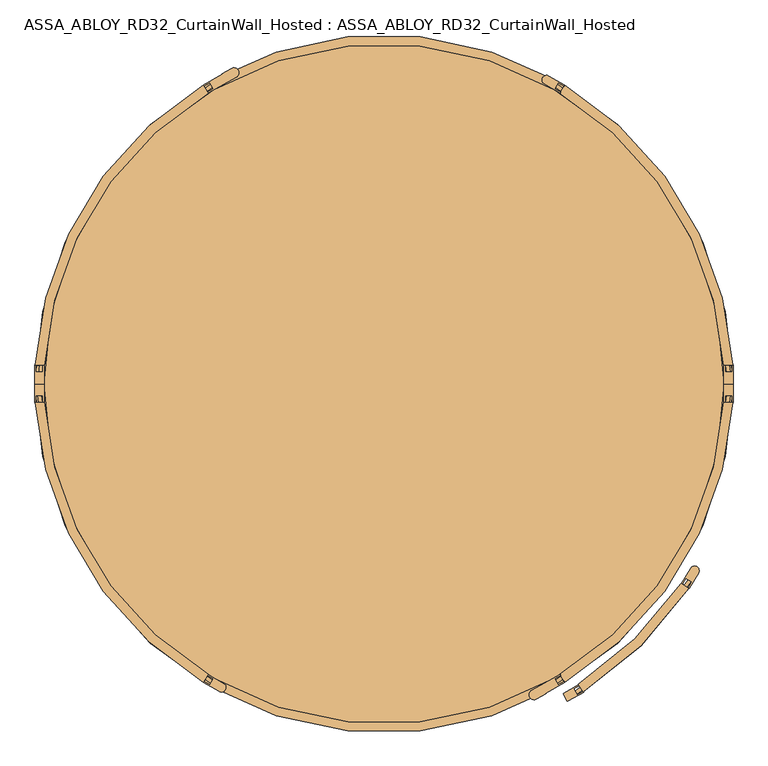
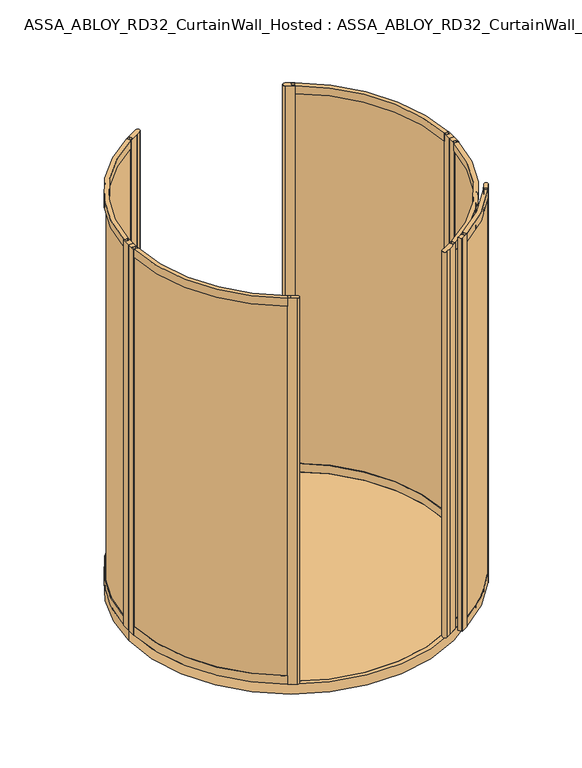
"""IFC4 building model written with IfcOpenShell, lengths in millimetres: door geometry, ASSA_ABLOY_RD32_CurtainWall_Hosted : ASSA_ABLOY_RD32_CurtainWall_Hosted."""

from ifc_helpers import new_model, si_unit, point, frame, frame_2d, origin, origin_with_axes, origin_2d, place, context, project, spatial, polyline, circle_curve, trimmed, segment, composite_curve, outline, extrude, source, transform, mapped, element, save
from ifc_brep_helpers import plane_surface, cylinder_surface, revolved_surface, advanced_brep


def assa_abloy_rd32_curtainwall_hosted_assa_abloy_rd32_809f59b0(model_context):
    return source(origin(), model_context, "Body", "SolidModel", [
        extrude(outline(composite_curve([segment(polyline([(868.6904209, -559.909995), (877.0957467, -565.3276051)]), True, "CONTINUOUS"), segment(trimmed(circle_curve(origin_2d(), 1043.5), [point((877.0957467, -565.3276051))], [point((549.9340715, -886.8284879))], False, "CARTESIAN"), True, "CONTINUOUS"), segment(polyline([(549.9340715, -886.8284879), (544.6639798, -878.329892)]), True, "CONTINUOUS"), segment(trimmed(circle_curve(origin_2d(), 1033.5), [point((544.6639798, -878.329892))], [point((868.6904209, -559.909995))], True, "CARTESIAN"), True, "CONTINUOUS")], self_intersect=False)), frame((0.0, 0.0, 43.0), z_axis=(0.0, 0.0, 1.0), x_axis=(1.0, 0.0, 0.0)), (0.0, 0.0, 1.0), 2480.0),
        advanced_brep(
        [(555.3575895, -858.5360783, 2556.0), (555.3575895, -858.5360783, 2503.0), (556.9870005, -861.0550106, 2503.0), (556.9870005, -861.0550106, 2523.0), (567.8497407, -877.8478923, 2523.0), (567.8497407, -877.8478923, 2503.0), (569.4791517, -880.3668246, 2503.0), (569.4791517, -880.3668246, 2556.0), (848.7129927, -570.2565264, 2556.0), (870.2939588, -584.7569369, 2556.0), (870.2939588, -584.7569369, 2503.0), (867.8038474, -583.0838126, 2503.0), (867.8038474, -583.0838126, 2523.0), (851.2031042, -571.9296507, 2523.0), (851.2031042, -571.9296507, 2503.0), (848.7129927, -570.2565264, 2503.0)],
        [
            (0, 1),
            (1, 2),
            (2, 3),
            (3, 4),
            (4, 5),
            (5, 6),
            (6, 7),
            (7, 0),
            (8, 9),
            (9, 10),
            (10, 11),
            (11, 12),
            (12, 13),
            (13, 14),
            (14, 15),
            (15, 8),
            (8, 0, circle_curve(frame((0.0, 0.0, 2556.0), z_axis=(0.0, 0.0, -1.0), x_axis=(0.5431370068511084, -0.839644086377567, 0.0)), 1022.5)),
            (7, 9, circle_curve(frame((0.0, 0.0, 2556.0), z_axis=(0.0, 0.0, 1.0), x_axis=(0.5431370068511084, -0.839644086377567, 0.0)), 1048.5)),
            (6, 10, circle_curve(frame((0.0, 0.0, 2503.0), z_axis=(0.0, 0.0, 1.0), x_axis=(0.5431370068511084, -0.839644086377567, 0.0)), 1048.5)),
            (5, 11, circle_curve(frame((0.0, 0.0, 2503.0), z_axis=(0.0, 0.0, 1.0), x_axis=(0.5431370068511084, -0.839644086377567, 0.0)), 1045.5)),
            (4, 12, circle_curve(frame((0.0, 0.0, 2523.0), z_axis=(0.0, 0.0, 1.0), x_axis=(0.5431370068511084, -0.839644086377567, 0.0)), 1045.5)),
            (3, 13, circle_curve(frame((0.0, 0.0, 2523.0), z_axis=(0.0, 0.0, 1.0), x_axis=(0.5431370068511084, -0.839644086377567, 0.0)), 1025.5)),
            (2, 14, circle_curve(frame((0.0, 0.0, 2503.0), z_axis=(0.0, 0.0, 1.0), x_axis=(0.5431370068511084, -0.839644086377567, 0.0)), 1025.5)),
            (1, 15, circle_curve(frame((0.0, 0.0, 2503.0), z_axis=(0.0, 0.0, 1.0), x_axis=(0.5431370068511084, -0.839644086377567, 0.0)), 1022.5)),
        ],
        [
            plane_surface(frame((569.4791517, -880.3668246, 2556.0), z_axis=(-0.839644086377567, -0.5431370068511084, 0.0), x_axis=(0.0, 0.0, 1.0))),
            plane_surface(frame((870.2939588, -584.7569369, 2556.0), z_axis=(0.5577080943123524, 0.8300371567216038, 0.0), x_axis=(0.0, 0.0, 1.0))),
            plane_surface(frame((0.0, 0.0, 2556.0), z_axis=(0.0, 0.0, 1.0000000000000002), x_axis=(0.5431370068511084, -0.839644086377567, 0.0))),
            cylinder_surface(frame((0.0, 0.0, 2556.0), z_axis=(0.0, 0.0, -1.0), x_axis=(0.5431370068511084, -0.839644086377567, 0.0)), 1048.5),
            plane_surface(frame((0.0, 0.0, 2503.0), z_axis=(0.0, 0.0, -1.0000000000000002), x_axis=(0.5431370068511084, -0.839644086377567, 0.0))),
            revolved_surface(polyline([(567.8497406628338, -877.8478923077463, 2503.0), (567.8497406628338, -877.8478923077463, 2523.0)]), (0.0, 0.0, 2556.0), (0.0, 0.0, -1.0)),
            plane_surface(frame((0.0, 0.0, 2523.0), z_axis=(0.0, 0.0, -1.0000000000000002), x_axis=(0.5431370068511084, -0.839644086377567, 0.0))),
            cylinder_surface(frame((0.0, 0.0, 2556.0), z_axis=(0.0, 0.0, -1.0), x_axis=(0.5431370068511084, -0.839644086377567, 0.0)), 1025.5),
            revolved_surface(polyline([(555.3575895052584, -858.5360783210623, 2503.0), (555.3575895052584, -858.5360783210623, 2556.0)]), (0.0, 0.0, 2556.0), (0.0, 0.0, -1.0)),
        ],
        [
            (0, [[1, 2, 3, 4, 5, 6, 7, 8]]),
            (1, [[9, 10, 11, 12, 13, 14, 15, 16]]),
            (2, [[-9, 17, -8, 18]]),
            (3, [[-10, -18, -7, 19]]),
            (4, [[-11, -19, -6, 20]]),
            (5, [[-12, -20, -5, 21]]),
            (6, [[-13, -21, -4, 22]]),
            (7, [[-14, -22, -3, 23]]),
            (4, [[-15, -23, -2, 24]]),
            (8, [[-16, -24, -1, -17]]),
        ],
    ),
        advanced_brep(
        [(555.3575895, -858.5360783, 10.0), (569.4791517, -880.3668246, 10.0), (569.4791517, -880.3668246, 63.0), (567.8497407, -877.8478923, 63.0), (567.8497407, -877.8478923, 43.0), (556.9870005, -861.0550106, 43.0), (556.9870005, -861.0550106, 63.0), (555.3575895, -858.5360783, 63.0), (848.7129927, -570.2565264, 10.0), (848.7129927, -570.2565264, 63.0), (851.2031042, -571.9296507, 63.0), (851.2031042, -571.9296507, 43.0), (867.8038474, -583.0838126, 43.0), (867.8038474, -583.0838126, 63.0), (870.2939588, -584.7569369, 63.0), (870.2939588, -584.7569369, 10.0)],
        [
            (0, 1),
            (1, 2),
            (2, 3),
            (3, 4),
            (4, 5),
            (5, 6),
            (6, 7),
            (7, 0),
            (8, 9),
            (9, 10),
            (10, 11),
            (11, 12),
            (12, 13),
            (13, 14),
            (14, 15),
            (15, 8),
            (8, 0, circle_curve(frame((0.0, 0.0, 10.0), z_axis=(0.0, 0.0, -1.0), x_axis=(0.5431370068511086, -0.839644086377567, 0.0)), 1022.5)),
            (7, 9, circle_curve(frame((0.0, 0.0, 63.0), z_axis=(0.0, 0.0, 1.0), x_axis=(0.5431370068511086, -0.839644086377567, 0.0)), 1022.5)),
            (6, 10, circle_curve(frame((0.0, 0.0, 63.0), z_axis=(0.0, 0.0, 1.0), x_axis=(0.5431370068511086, -0.839644086377567, 0.0)), 1025.5)),
            (5, 11, circle_curve(frame((0.0, 0.0, 43.0), z_axis=(0.0, 0.0, 1.0), x_axis=(0.5431370068511086, -0.839644086377567, 0.0)), 1025.5)),
            (4, 12, circle_curve(frame((0.0, 0.0, 43.0), z_axis=(0.0, 0.0, 1.0), x_axis=(0.5431370068511086, -0.839644086377567, 0.0)), 1045.5)),
            (3, 13, circle_curve(frame((0.0, 0.0, 63.0), z_axis=(0.0, 0.0, 1.0), x_axis=(0.5431370068511086, -0.839644086377567, 0.0)), 1045.5)),
            (2, 14, circle_curve(frame((0.0, 0.0, 63.0), z_axis=(0.0, 0.0, 1.0), x_axis=(0.5431370068511086, -0.839644086377567, 0.0)), 1048.5)),
            (1, 15, circle_curve(frame((0.0, 0.0, 10.0), z_axis=(0.0, 0.0, 1.0), x_axis=(0.5431370068511086, -0.839644086377567, 0.0)), 1048.5)),
        ],
        [
            plane_surface(frame((569.4791517, -880.3668246, 0.0), z_axis=(-0.8396440863775669, -0.5431370068511086, 0.0), x_axis=(0.0, 0.0, 1.0))),
            plane_surface(frame((870.2939588, -584.7569369, 0.0), z_axis=(0.5577080943123519, 0.8300371567216043, 0.0), x_axis=(0.0, 0.0, 1.0))),
            revolved_surface(polyline([(555.3575895052585, -858.5360783210623, 10.0), (555.3575895052585, -858.5360783210623, 63.0)]), (0.0, 0.0, 0.0), (0.0, 0.0, -1.0)),
            plane_surface(frame((0.0, 0.0, 63.0), z_axis=(0.0, 0.0, 1.0000000000000002), x_axis=(0.5431370068511086, -0.8396440863775669, 0.0))),
            cylinder_surface(frame((0.0, 0.0, 0.0), z_axis=(0.0, 0.0, -1.0), x_axis=(0.5431370068511086, -0.839644086377567, 0.0)), 1025.5),
            plane_surface(frame((0.0, 0.0, 43.0), z_axis=(0.0, 0.0, 1.0000000000000002), x_axis=(0.5431370068511086, -0.8396440863775669, 0.0))),
            revolved_surface(polyline([(567.8497406628339, -877.8478923077463, 43.0), (567.8497406628339, -877.8478923077463, 63.0)]), (0.0, 0.0, 0.0), (0.0, 0.0, -1.0)),
            cylinder_surface(frame((0.0, 0.0, 0.0), z_axis=(0.0, 0.0, -1.0), x_axis=(0.5431370068511086, -0.839644086377567, 0.0)), 1048.5),
            plane_surface(frame((0.0, 0.0, 10.0), z_axis=(0.0, 0.0, -1.0000000000000002), x_axis=(0.5431370068511086, -0.8396440863775669, 0.0))),
        ],
        [
            (0, [[1, 2, 3, 4, 5, 6, 7, 8]]),
            (1, [[9, 10, 11, 12, 13, 14, 15, 16]]),
            (2, [[-9, 17, -8, 18]]),
            (3, [[-10, -18, -7, 19]]),
            (4, [[-11, -19, -6, 20]]),
            (5, [[-12, -20, -5, 21]]),
            (6, [[-13, -21, -4, 22]]),
            (3, [[-14, -22, -3, 23]]),
            (7, [[-15, -23, -2, 24]]),
            (8, [[-16, -24, -1, -17]]),
        ],
    ),
        extrude(outline(composite_curve([segment(polyline([(871.4428968, -585.4472885), (868.8713949, -583.9021743), (879.1721564, -566.7588282), (862.0288104, -556.4580667), (851.7280489, -573.6014128), (849.156547, -572.0562985), (875.9385269, -527.4835989)]), True, "CONTINUOUS"), segment(trimmed(circle_curve(frame_2d((887.0817018, -534.1790939)), 13.0), [point((875.9385269, -527.4835989))], [point((898.2248767, -540.8745888))], False, "CARTESIAN"), True, "CONTINUOUS"), segment(polyline([(898.2248767, -540.8745888), (871.4428968, -585.4472885)]), True, "CONTINUOUS")], self_intersect=False)), frame((0.0, 0.0, 10.0), z_axis=(0.0, 0.0, 1.0), x_axis=(1.0, 0.0, 0.0)), (0.0, 0.0, 1.0), 2546.0),
        extrude(outline(polyline([(570.1493464, -881.5276359), (526.8480762, -906.5276359), (526.3480762, -905.6616105), (523.75, -907.1616105), (511.75, -886.3770008), (514.3480762, -884.8770008), (513.8480762, -884.0109754), (557.1493464, -859.0109754), (558.6493464, -861.6090516), (541.3288383, -871.6090516), (551.3288383, -888.9295597), (568.6493464, -878.9295597), (570.1493464, -881.5276359)])), frame((0.0, 0.0, 10.0), z_axis=(0.0, 0.0, 1.0), x_axis=(1.0, 0.0, 0.0)), (0.0, 0.0, 1.0), 2546.0),
        extrude(outline(composite_curve([segment(trimmed(circle_curve(origin_2d(), 989.0), [point((494.5, 856.4991243))], [point((988.4436781, 33.1676829))], False, "CARTESIAN"), True, "CONTINUOUS"), segment(polyline([(988.4436781, 33.1676829), (978.4493032, 32.8323171)]), True, "CONTINUOUS"), segment(trimmed(circle_curve(origin_2d(), 979.0), [point((978.4493032, 32.8323171))], [point((489.5, 847.8388703))], True, "CARTESIAN"), True, "CONTINUOUS"), segment(polyline([(489.5, 847.8388703), (494.5, 856.4991243)]), True, "CONTINUOUS")], self_intersect=False)), frame((0.0, 0.0, 33.0), z_axis=(0.0, 0.0, 1.0), x_axis=(1.0, 0.0, 0.0)), (0.0, 0.0, 1.0), 2437.0),
        extrude(outline(composite_curve([segment(trimmed(circle_curve(origin_2d(), 989.0), [point((988.4436781, -33.1676829))], [point((494.5, -856.4991243))], False, "CARTESIAN"), True, "CONTINUOUS"), segment(polyline([(494.5, -856.4991243), (489.5, -847.8388703)]), True, "CONTINUOUS"), segment(trimmed(circle_curve(origin_2d(), 979.0), [point((489.5, -847.8388703))], [point((978.4493032, -32.8323171))], True, "CARTESIAN"), True, "CONTINUOUS"), segment(polyline([(978.4493032, -32.8323171), (988.4436781, -33.1676829)]), True, "CONTINUOUS")], self_intersect=False)), frame((0.0, 0.0, 33.0), z_axis=(0.0, 0.0, 1.0), x_axis=(1.0, 0.0, 0.0)), (0.0, 0.0, 1.0), 2437.0),
        extrude(outline(composite_curve([segment(polyline([(496.9998179, -860.828936), (514.320326, -850.828936), (515.8201439, -853.4266969), (461.2605435, -884.9266969), (461.760545, -885.7927249), (435.7781998, -900.7936389)]), True, "CONTINUOUS"), segment(trimmed(circle_curve(frame_2d((428.7783803, -888.669596)), 13.9996389), [point((435.7781998, -900.7936389))], [point((421.7785609, -876.545553))], False, "CARTESIAN"), True, "CONTINUOUS"), segment(polyline([(421.7785609, -876.545553), (447.7609061, -861.544639), (448.2609076, -862.4106671), (502.8205081, -830.9106671), (504.320326, -833.5084279), (486.9998179, -843.5084279), (496.9998179, -860.828936)]), True, "CONTINUOUS")], self_intersect=False)), origin_with_axes(), (0.0, 0.0, 1.0), 2500.0),
        extrude(outline(composite_curve([segment(polyline([(496.9998179, 860.828936), (486.9998179, 843.5084279), (504.320326, 833.5084279), (502.8205081, 830.9106671), (457.7868716, 856.9108492)]), True, "CONTINUOUS"), segment(trimmed(circle_curve(frame_2d((464.2866895, 868.1688641)), 12.9996359), [point((457.7868716, 856.9108492))], [point((470.7865074, 879.426879))], False, "CARTESIAN"), True, "CONTINUOUS"), segment(polyline([(470.7865074, 879.426879), (515.8201439, 853.4266969), (514.320326, 850.828936), (496.9998179, 860.828936)]), True, "CONTINUOUS")], self_intersect=False)), origin_with_axes(), (0.0, 0.0, 1.0), 2500.0),
        advanced_brep(
        [(502.2711247, 831.0022366, 0.0), (502.2711247, 831.0022366, 53.0), (503.8229408, 833.5696998, 53.0), (503.8229408, 833.5696998, 33.0), (514.168381, 850.6861207, 33.0), (514.168381, 850.6861207, 53.0), (515.7201971, 853.2535838, 53.0), (515.7201971, 853.2535838, 0.0), (969.6270403, 51.6178536, 0.0), (995.5902772, 53.0, 0.0), (995.5902772, 53.0, 53.0), (992.5945191, 52.8405216, 53.0), (992.5945191, 52.8405216, 33.0), (972.6227984, 51.777332, 33.0), (972.6227984, 51.777332, 53.0), (969.6270403, 51.6178536, 53.0)],
        [
            (0, 1),
            (1, 2),
            (2, 3),
            (3, 4),
            (4, 5),
            (5, 6),
            (6, 7),
            (7, 0),
            (8, 9),
            (9, 10),
            (10, 11),
            (11, 12),
            (12, 13),
            (13, 14),
            (14, 15),
            (15, 8),
            (15, 1, circle_curve(frame((0.0, 0.0, 53.0), z_axis=(0.0, 0.0, 1.0), x_axis=(0.5172720131197738, 0.8558210469736162, 0.0)), 971.0)),
            (0, 8, circle_curve(frame((0.0, 0.0, 0.0), z_axis=(0.0, 0.0, -1.0), x_axis=(0.5172720131197738, 0.8558210469736162, 0.0)), 971.0)),
            (14, 2, circle_curve(frame((0.0, 0.0, 53.0), z_axis=(0.0, 0.0, 1.0), x_axis=(0.5172720131197738, 0.8558210469736162, 0.0)), 974.0)),
            (13, 3, circle_curve(frame((0.0, 0.0, 33.0), z_axis=(0.0, 0.0, 1.0), x_axis=(0.5172720131197738, 0.8558210469736162, 0.0)), 974.0)),
            (12, 4, circle_curve(frame((0.0, 0.0, 33.0), z_axis=(0.0, 0.0, 1.0), x_axis=(0.5172720131197738, 0.8558210469736162, 0.0)), 994.0)),
            (11, 5, circle_curve(frame((0.0, 0.0, 53.0), z_axis=(0.0, 0.0, 1.0), x_axis=(0.5172720131197738, 0.8558210469736162, 0.0)), 994.0)),
            (10, 6, circle_curve(frame((0.0, 0.0, 53.0), z_axis=(0.0, 0.0, 1.0), x_axis=(0.5172720131197738, 0.8558210469736162, 0.0)), 997.0)),
            (9, 7, circle_curve(frame((0.0, 0.0, 0.0), z_axis=(0.0, 0.0, 1.0), x_axis=(0.5172720131197738, 0.8558210469736162, 0.0)), 997.0)),
        ],
        [
            plane_surface(frame((515.7201971, 853.2535838, 0.0), z_axis=(-0.8558210469736162, 0.5172720131197739, 0.0), x_axis=(0.0, 0.0, 1.0))),
            plane_surface(frame((995.5902772, 53.0, 0.0), z_axis=(0.05315947843547908, -0.9985860352781166, 0.0), x_axis=(0.0, 0.0, 1.0))),
            revolved_surface(polyline([(502.2711247393003, 831.0022366113812, 0.0), (502.2711247393003, 831.0022366113812, 53.0)]), (0.0, 0.0, 0.0), (0.0, 0.0, -1.0)),
            plane_surface(frame((0.0, 0.0, 53.0), z_axis=(0.0, 0.0, 1.0000000000000002), x_axis=(0.5172720131197739, 0.8558210469736163, 0.0))),
            cylinder_surface(frame((0.0, 0.0, 0.0), z_axis=(0.0, 0.0, -1.0), x_axis=(0.5172720131197738, 0.8558210469736162, 0.0)), 974.0),
            plane_surface(frame((0.0, 0.0, 33.0), z_axis=(0.0, 0.0, 1.0000000000000002), x_axis=(0.5172720131197739, 0.8558210469736163, 0.0))),
            revolved_surface(polyline([(514.1683810410551, 850.6861206917745, 33.0), (514.1683810410551, 850.6861206917745, 53.0)]), (0.0, 0.0, 0.0), (0.0, 0.0, -1.0)),
            cylinder_surface(frame((0.0, 0.0, 0.0), z_axis=(0.0, 0.0, -1.0), x_axis=(0.5172720131197738, 0.8558210469736162, 0.0)), 997.0),
            plane_surface(frame((0.0, 0.0, 0.0), z_axis=(0.0, 0.0, -1.0000000000000002), x_axis=(0.5172720131197739, 0.8558210469736163, 0.0))),
        ],
        [
            (0, [[1, 2, 3, 4, 5, 6, 7, 8]]),
            (1, [[9, 10, 11, 12, 13, 14, 15, 16]]),
            (2, [[17, -1, 18, -16]]),
            (3, [[19, -2, -17, -15]]),
            (4, [[20, -3, -19, -14]]),
            (5, [[21, -4, -20, -13]]),
            (6, [[22, -5, -21, -12]]),
            (3, [[23, -6, -22, -11]]),
            (7, [[24, -7, -23, -10]]),
            (8, [[-18, -8, -24, -9]]),
        ],
    ),
        advanced_brep(
        [(969.6270403, 51.6178536, 2500.0), (969.6270403, 51.6178536, 2450.0), (972.6227984, 51.777332, 2450.0), (972.6227984, 51.777332, 2470.0), (992.5945191, 52.8405216, 2470.0), (992.5945191, 52.8405216, 2450.0), (995.5902772, 53.0, 2450.0), (995.5902772, 53.0, 2500.0), (502.2711247, 831.0022366, 2500.0), (515.7201971, 853.2535838, 2500.0), (515.7201971, 853.2535838, 2450.0), (514.168381, 850.6861207, 2450.0), (514.168381, 850.6861207, 2470.0), (503.8229408, 833.5696997, 2470.0), (503.8229408, 833.5696997, 2450.0), (502.2711247, 831.0022366, 2450.0)],
        [
            (0, 1),
            (1, 2),
            (2, 3),
            (3, 4),
            (4, 5),
            (5, 6),
            (6, 7),
            (7, 0),
            (8, 9),
            (9, 10),
            (10, 11),
            (11, 12),
            (12, 13),
            (13, 14),
            (14, 15),
            (15, 8),
            (15, 1, circle_curve(frame((0.0, 0.0, 2450.0), z_axis=(0.0, 0.0, -1.0), x_axis=(0.9985860352779897, 0.05315947843786122, 0.0)), 971.0)),
            (0, 8, circle_curve(frame((0.0, 0.0, 2500.0), z_axis=(0.0, 0.0, 1.0), x_axis=(0.9985860352779897, 0.05315947843786122, 0.0)), 971.0)),
            (14, 2, circle_curve(frame((0.0, 0.0, 2450.0), z_axis=(0.0, 0.0, -1.0), x_axis=(0.9985860352779897, 0.05315947843786122, 0.0)), 974.0)),
            (9, 7, circle_curve(frame((0.0, 0.0, 2500.0), z_axis=(0.0, 0.0, -1.0), x_axis=(0.9985860352779897, 0.05315947843786122, 0.0)), 997.0)),
            (6, 10, circle_curve(frame((0.0, 0.0, 2450.0), z_axis=(0.0, 0.0, 1.0), x_axis=(0.9985860352779897, 0.05315947843786122, 0.0)), 997.0)),
            (13, 3, circle_curve(frame((0.0, 0.0, 2470.0), z_axis=(0.0, 0.0, -1.0), x_axis=(0.9985860352779897, 0.05315947843786122, 0.0)), 974.0)),
            (12, 4, circle_curve(frame((0.0, 0.0, 2470.0), z_axis=(0.0, 0.0, -1.0), x_axis=(0.9985860352779897, 0.05315947843786122, 0.0)), 994.0)),
            (11, 5, circle_curve(frame((0.0, 0.0, 2450.0), z_axis=(0.0, 0.0, -1.0), x_axis=(0.9985860352779897, 0.05315947843786122, 0.0)), 994.0)),
        ],
        [
            plane_surface(frame((995.5902772, 53.0, 2500.0), z_axis=(0.053159478437861236, -0.9985860352779897, 0.0), x_axis=(0.0, 0.0, 1.0))),
            plane_surface(frame((515.7201971, 853.2535838, 2500.0), z_axis=(-0.855821046973346, 0.5172720131202209, 0.0), x_axis=(0.0, 0.0, 1.0))),
            revolved_surface(polyline([(969.627040254928, 51.617853563163244, 2500.0), (969.627040254928, 51.617853563163244, 2450.0)]), (0.0, 0.0, 2500.0), (0.0, 0.0, 1.0)),
            plane_surface(frame((0.0, 0.0, 2450.0), z_axis=(0.0, 0.0, -1.0), x_axis=(0.9985860352779897, 0.05315947843786122, 0.0))),
            cylinder_surface(frame((0.0, 0.0, 2500.0), z_axis=(0.0, 0.0, 1.0), x_axis=(0.9985860352779897, 0.05315947843786122, 0.0)), 997.0),
            plane_surface(frame((0.0, 0.0, 2500.0), z_axis=(0.0, 0.0, 1.0), x_axis=(0.9985860352779897, 0.05315947843786122, 0.0))),
            cylinder_surface(frame((0.0, 0.0, 2500.0), z_axis=(0.0, 0.0, 1.0), x_axis=(0.9985860352779897, 0.05315947843786122, 0.0)), 974.0),
            plane_surface(frame((0.0, 0.0, 2470.0), z_axis=(0.0, 0.0, -1.0), x_axis=(0.9985860352779897, 0.05315947843786122, 0.0))),
            revolved_surface(polyline([(992.5945190663218, 52.840521567234056, 2470.0), (992.5945190663218, 52.840521567234056, 2450.0)]), (0.0, 0.0, 2500.0), (0.0, 0.0, 1.0)),
        ],
        [
            (0, [[1, 2, 3, 4, 5, 6, 7, 8]]),
            (1, [[9, 10, 11, 12, 13, 14, 15, 16]]),
            (2, [[17, -1, 18, -16]]),
            (3, [[19, -2, -17, -15]]),
            (4, [[20, -7, 21, -10]]),
            (5, [[-18, -8, -20, -9]]),
            (6, [[22, -3, -19, -14]]),
            (7, [[23, -4, -22, -13]]),
            (8, [[24, -5, -23, -12]]),
            (3, [[-21, -6, -24, -11]]),
        ],
    ),
        extrude(outline(polyline([(997.0, 0.0), (971.0, 0.0), (971.0, 53.0), (974.0, 53.0), (974.0, 33.0), (994.0, 33.0), (994.0, 53.0), (997.0, 53.0), (997.0, 0.0)])), origin_with_axes(), (0.0, 0.0, 1.0), 2500.0),
        advanced_brep(
        [(502.2711247, -831.0022366, 0.0), (515.7201971, -853.2535838, 0.0), (515.7201971, -853.2535838, 53.0), (514.168381, -850.6861207, 53.0), (514.168381, -850.6861207, 33.0), (503.8229408, -833.5696998, 33.0), (503.8229408, -833.5696998, 53.0), (502.2711247, -831.0022366, 53.0), (969.6270403, -51.6178536, 0.0), (969.6270403, -51.6178536, 53.0), (972.6227984, -51.777332, 53.0), (972.6227984, -51.777332, 33.0), (992.5945191, -52.8405216, 33.0), (992.5945191, -52.8405216, 53.0), (995.5902772, -53.0, 53.0), (995.5902772, -53.0, 0.0)],
        [
            (0, 1),
            (1, 2),
            (2, 3),
            (3, 4),
            (4, 5),
            (5, 6),
            (6, 7),
            (7, 0),
            (8, 9),
            (9, 10),
            (10, 11),
            (11, 12),
            (12, 13),
            (13, 14),
            (14, 15),
            (15, 8),
            (8, 0, circle_curve(frame((0.0, 0.0, 0.0), z_axis=(0.0, 0.0, -1.0), x_axis=(0.5172720131195371, -0.8558210469737593, 0.0)), 971.0)),
            (7, 9, circle_curve(frame((0.0, 0.0, 53.0), z_axis=(0.0, 0.0, 1.0), x_axis=(0.5172720131195371, -0.8558210469737593, 0.0)), 971.0)),
            (6, 10, circle_curve(frame((0.0, 0.0, 53.0), z_axis=(0.0, 0.0, 1.0), x_axis=(0.5172720131195371, -0.8558210469737593, 0.0)), 974.0)),
            (5, 11, circle_curve(frame((0.0, 0.0, 33.0), z_axis=(0.0, 0.0, 1.0), x_axis=(0.5172720131195371, -0.8558210469737593, 0.0)), 974.0)),
            (4, 12, circle_curve(frame((0.0, 0.0, 33.0), z_axis=(0.0, 0.0, 1.0), x_axis=(0.5172720131195371, -0.8558210469737593, 0.0)), 994.0)),
            (3, 13, circle_curve(frame((0.0, 0.0, 53.0), z_axis=(0.0, 0.0, 1.0), x_axis=(0.5172720131195371, -0.8558210469737593, 0.0)), 994.0)),
            (2, 14, circle_curve(frame((0.0, 0.0, 53.0), z_axis=(0.0, 0.0, 1.0), x_axis=(0.5172720131195371, -0.8558210469737593, 0.0)), 997.0)),
            (1, 15, circle_curve(frame((0.0, 0.0, 0.0), z_axis=(0.0, 0.0, 1.0), x_axis=(0.5172720131195371, -0.8558210469737593, 0.0)), 997.0)),
        ],
        [
            plane_surface(frame((515.7201971, -853.2535838, 0.0), z_axis=(-0.8558210469737594, -0.5172720131195372, 0.0), x_axis=(0.0, 0.0, 1.0))),
            plane_surface(frame((995.5902772, -53.0, 0.0), z_axis=(0.053159478435714, 0.9985860352781041, 0.0), x_axis=(0.0, 0.0, 1.0))),
            revolved_surface(polyline([(502.2711247390705, -831.0022366115203, 53.0), (502.2711247390705, -831.0022366115203, 0.0)]), (0.0, 0.0, 0.0), (0.0, 0.0, 1.0)),
            plane_surface(frame((0.0, 0.0, 53.0), z_axis=(0.0, 0.0, 1.0), x_axis=(0.5172720131195371, -0.8558210469737593, 0.0))),
            cylinder_surface(frame((0.0, 0.0, 0.0), z_axis=(0.0, 0.0, 1.0), x_axis=(0.5172720131195371, -0.8558210469737593, 0.0)), 974.0),
            plane_surface(frame((0.0, 0.0, 33.0), z_axis=(0.0, 0.0, 1.0), x_axis=(0.5172720131195371, -0.8558210469737593, 0.0))),
            revolved_surface(polyline([(514.1683810408199, -850.6861206919167, 53.0), (514.1683810408199, -850.6861206919167, 33.0)]), (0.0, 0.0, 0.0), (0.0, 0.0, 1.0)),
            cylinder_surface(frame((0.0, 0.0, 0.0), z_axis=(0.0, 0.0, 1.0), x_axis=(0.5172720131195371, -0.8558210469737593, 0.0)), 997.0),
            plane_surface(frame((0.0, 0.0, 0.0), z_axis=(0.0, 0.0, -1.0), x_axis=(0.5172720131195371, -0.8558210469737593, 0.0))),
        ],
        [
            (0, [[1, 2, 3, 4, 5, 6, 7, 8]]),
            (1, [[9, 10, 11, 12, 13, 14, 15, 16]]),
            (2, [[17, -8, 18, -9]]),
            (3, [[-18, -7, 19, -10]]),
            (4, [[-19, -6, 20, -11]]),
            (5, [[-20, -5, 21, -12]]),
            (6, [[-21, -4, 22, -13]]),
            (3, [[-22, -3, 23, -14]]),
            (7, [[-23, -2, 24, -15]]),
            (8, [[-24, -1, -17, -16]]),
        ],
    ),
        advanced_brep(
        [(969.6270403, -51.6178536, 2500.0), (995.5902772, -53.0, 2500.0), (995.5902772, -53.0, 2450.0), (992.5945191, -52.8405216, 2450.0), (992.5945191, -52.8405216, 2470.0), (972.6227984, -51.777332, 2470.0), (972.6227984, -51.777332, 2450.0), (969.6270403, -51.6178536, 2450.0), (502.2711247, -831.0022366, 2500.0), (502.2711247, -831.0022366, 2450.0), (503.8229408, -833.5696998, 2450.0), (503.8229408, -833.5696998, 2470.0), (514.168381, -850.6861207, 2470.0), (514.168381, -850.6861207, 2450.0), (515.7201971, -853.2535838, 2450.0), (515.7201971, -853.2535838, 2500.0)],
        [
            (0, 1),
            (1, 2),
            (2, 3),
            (3, 4),
            (4, 5),
            (5, 6),
            (6, 7),
            (7, 0),
            (8, 9),
            (9, 10),
            (10, 11),
            (11, 12),
            (12, 13),
            (13, 14),
            (14, 15),
            (15, 8),
            (8, 0, circle_curve(frame((0.0, 0.0, 2500.0), z_axis=(0.0, 0.0, 1.0), x_axis=(0.998586035278285, -0.05315947843231441, 0.0)), 971.0)),
            (7, 9, circle_curve(frame((0.0, 0.0, 2450.0), z_axis=(0.0, 0.0, -1.0), x_axis=(0.998586035278285, -0.05315947843231441, 0.0)), 971.0)),
            (6, 10, circle_curve(frame((0.0, 0.0, 2450.0), z_axis=(0.0, 0.0, -1.0), x_axis=(0.998586035278285, -0.05315947843231441, 0.0)), 974.0)),
            (14, 2, circle_curve(frame((0.0, 0.0, 2450.0), z_axis=(0.0, 0.0, 1.0), x_axis=(0.998586035278285, -0.05315947843231441, 0.0)), 997.0)),
            (1, 15, circle_curve(frame((0.0, 0.0, 2500.0), z_axis=(0.0, 0.0, -1.0), x_axis=(0.998586035278285, -0.05315947843231441, 0.0)), 997.0)),
            (5, 11, circle_curve(frame((0.0, 0.0, 2470.0), z_axis=(0.0, 0.0, -1.0), x_axis=(0.998586035278285, -0.05315947843231441, 0.0)), 974.0)),
            (4, 12, circle_curve(frame((0.0, 0.0, 2470.0), z_axis=(0.0, 0.0, -1.0), x_axis=(0.998586035278285, -0.05315947843231441, 0.0)), 994.0)),
            (3, 13, circle_curve(frame((0.0, 0.0, 2450.0), z_axis=(0.0, 0.0, -1.0), x_axis=(0.998586035278285, -0.05315947843231441, 0.0)), 994.0)),
        ],
        [
            plane_surface(frame((995.5902772, -53.0, 2500.0), z_axis=(0.053159478432314444, 0.998586035278285, 0.0), x_axis=(0.0, 0.0, 1.0))),
            plane_surface(frame((515.7201971, -853.2535838, 2500.0), z_axis=(-0.8558210469721426, -0.517272013122212, 0.0), x_axis=(0.0, 0.0, 1.0))),
            revolved_surface(polyline([(969.6270402552148, -51.617853557777295, 2450.0), (969.6270402552148, -51.617853557777295, 2500.0)]), (0.0, 0.0, 2500.0), (0.0, 0.0, -1.0)),
            plane_surface(frame((0.0, 0.0, 2450.0), z_axis=(0.0, 0.0, -1.0), x_axis=(0.998586035278285, -0.05315947843231441, 0.0))),
            cylinder_surface(frame((0.0, 0.0, 2500.0), z_axis=(0.0, 0.0, -1.0), x_axis=(0.998586035278285, -0.05315947843231441, 0.0)), 997.0),
            plane_surface(frame((0.0, 0.0, 2500.0), z_axis=(0.0, 0.0, 1.0), x_axis=(0.998586035278285, -0.05315947843231441, 0.0))),
            cylinder_surface(frame((0.0, 0.0, 2500.0), z_axis=(0.0, 0.0, -1.0), x_axis=(0.998586035278285, -0.05315947843231441, 0.0)), 974.0),
            plane_surface(frame((0.0, 0.0, 2470.0), z_axis=(0.0, 0.0, -1.0), x_axis=(0.998586035278285, -0.05315947843231441, 0.0))),
            revolved_surface(polyline([(992.5945190666154, -52.84052156172052, 2450.0), (992.5945190666154, -52.84052156172052, 2470.0)]), (0.0, 0.0, 2500.0), (0.0, 0.0, -1.0)),
        ],
        [
            (0, [[1, 2, 3, 4, 5, 6, 7, 8]]),
            (1, [[9, 10, 11, 12, 13, 14, 15, 16]]),
            (2, [[17, -8, 18, -9]]),
            (3, [[-18, -7, 19, -10]]),
            (4, [[20, -2, 21, -15]]),
            (5, [[-21, -1, -17, -16]]),
            (6, [[-19, -6, 22, -11]]),
            (7, [[-22, -5, 23, -12]]),
            (8, [[-23, -4, 24, -13]]),
            (3, [[-24, -3, -20, -14]]),
        ],
    ),
        extrude(outline(polyline([(997.0, 0.0), (997.0, -53.0), (994.0, -53.0), (994.0, -33.0), (974.0, -33.0), (974.0, -53.0), (971.0, -53.0), (971.0, 0.0), (997.0, 0.0)])), origin_with_axes(), (0.0, 0.0, 1.0), 2500.0),
        extrude(outline(composite_curve([segment(trimmed(circle_curve(origin_2d(), 979.0), [point((-489.5, 847.8388703))], [point((-979.0, 0.0))], True, "CARTESIAN"), True, "CONTINUOUS"), segment(polyline([(-979.0, 0.0), (-989.0, 0.0)]), True, "CONTINUOUS"), segment(trimmed(circle_curve(origin_2d(), 989.0), [point((-989.0, 0.0))], [point((-494.5, 856.4991243))], False, "CARTESIAN"), True, "CONTINUOUS"), segment(polyline([(-494.5, 856.4991243), (-489.5, 847.8388703)]), True, "CONTINUOUS")], self_intersect=False)), frame((0.0, 0.0, 33.0), z_axis=(0.0, 0.0, 1.0), x_axis=(1.0, 0.0, 0.0)), (0.0, 0.0, 1.0), 2437.0),
        advanced_brep(
        [(-502.2711247, 831.0022366, 0.0), (-515.7201971, 853.2535838, 0.0), (-515.7201971, 853.2535838, 53.0), (-514.168381, 850.6861207, 53.0), (-514.168381, 850.6861207, 33.0), (-503.8229408, 833.5696998, 33.0), (-503.8229408, 833.5696998, 53.0), (-502.2711247, 831.0022366, 53.0), (-969.6270403, 51.6178536, 0.0), (-969.6270403, 51.6178536, 53.0), (-972.6227984, 51.777332, 53.0), (-972.6227984, 51.777332, 33.0), (-992.5945191, 52.8405216, 33.0), (-992.5945191, 52.8405216, 53.0), (-995.5902772, 53.0, 53.0), (-995.5902772, 53.0, 0.0)],
        [
            (0, 1),
            (1, 2),
            (2, 3),
            (3, 4),
            (4, 5),
            (5, 6),
            (6, 7),
            (7, 0),
            (8, 9),
            (9, 10),
            (10, 11),
            (11, 12),
            (12, 13),
            (13, 14),
            (14, 15),
            (15, 8),
            (8, 0, circle_curve(frame((0.0, 0.0, 0.0), z_axis=(0.0, 0.0, -1.0), x_axis=(-0.5172720131199363, 0.8558210469735179, 0.0)), 971.0)),
            (7, 9, circle_curve(frame((0.0, 0.0, 53.0), z_axis=(0.0, 0.0, 1.0), x_axis=(-0.5172720131199363, 0.8558210469735179, 0.0)), 971.0)),
            (6, 10, circle_curve(frame((0.0, 0.0, 53.0), z_axis=(0.0, 0.0, 1.0), x_axis=(-0.5172720131199363, 0.8558210469735179, 0.0)), 974.0)),
            (5, 11, circle_curve(frame((0.0, 0.0, 33.0), z_axis=(0.0, 0.0, 1.0), x_axis=(-0.5172720131199363, 0.8558210469735179, 0.0)), 974.0)),
            (4, 12, circle_curve(frame((0.0, 0.0, 33.0), z_axis=(0.0, 0.0, 1.0), x_axis=(-0.5172720131199363, 0.8558210469735179, 0.0)), 994.0)),
            (3, 13, circle_curve(frame((0.0, 0.0, 53.0), z_axis=(0.0, 0.0, 1.0), x_axis=(-0.5172720131199363, 0.8558210469735179, 0.0)), 994.0)),
            (2, 14, circle_curve(frame((0.0, 0.0, 53.0), z_axis=(0.0, 0.0, 1.0), x_axis=(-0.5172720131199363, 0.8558210469735179, 0.0)), 997.0)),
            (1, 15, circle_curve(frame((0.0, 0.0, 0.0), z_axis=(0.0, 0.0, 1.0), x_axis=(-0.5172720131199363, 0.8558210469735179, 0.0)), 997.0)),
        ],
        [
            plane_surface(frame((-515.7201971, 853.2535838, 0.0), z_axis=(0.855821046973518, 0.5172720131199363, 0.0), x_axis=(0.0, 0.0, 1.0))),
            plane_surface(frame((-995.5902772, 53.0, 0.0), z_axis=(-0.0531594784350477, -0.9985860352781395, 0.0), x_axis=(0.0, 0.0, 1.0))),
            revolved_surface(polyline([(-502.2711247394582, 831.0022366112859, 53.0), (-502.2711247394582, 831.0022366112859, 0.0)]), (0.0, 0.0, 0.0), (0.0, 0.0, 1.0)),
            plane_surface(frame((0.0, 0.0, 53.0), z_axis=(0.0, 0.0, 1.0000000000000002), x_axis=(-0.5172720131199364, 0.855821046973518, 0.0))),
            cylinder_surface(frame((0.0, 0.0, 0.0), z_axis=(0.0, 0.0, 1.0), x_axis=(-0.5172720131199363, 0.8558210469735179, 0.0)), 974.0),
            plane_surface(frame((0.0, 0.0, 33.0), z_axis=(0.0, 0.0, 1.0000000000000002), x_axis=(-0.5172720131199364, 0.855821046973518, 0.0))),
            revolved_surface(polyline([(-514.1683810412167, 850.6861206916768, 53.0), (-514.1683810412167, 850.6861206916768, 33.0)]), (0.0, 0.0, 0.0), (0.0, 0.0, 1.0)),
            cylinder_surface(frame((0.0, 0.0, 0.0), z_axis=(0.0, 0.0, 1.0), x_axis=(-0.5172720131199363, 0.8558210469735179, 0.0)), 997.0),
            plane_surface(frame((0.0, 0.0, 0.0), z_axis=(0.0, 0.0, -1.0000000000000002), x_axis=(-0.5172720131199364, 0.855821046973518, 0.0))),
        ],
        [
            (0, [[1, 2, 3, 4, 5, 6, 7, 8]]),
            (1, [[9, 10, 11, 12, 13, 14, 15, 16]]),
            (2, [[17, -8, 18, -9]]),
            (3, [[-18, -7, 19, -10]]),
            (4, [[-19, -6, 20, -11]]),
            (5, [[-20, -5, 21, -12]]),
            (6, [[-21, -4, 22, -13]]),
            (3, [[-22, -3, 23, -14]]),
            (7, [[-23, -2, 24, -15]]),
            (8, [[-24, -1, -17, -16]]),
        ],
    ),
        advanced_brep(
        [(-969.6270403, 51.6178536, 2500.0), (-995.5902772, 53.0, 2500.0), (-995.5902772, 53.0, 2450.0), (-992.5945191, 52.8405216, 2450.0), (-992.5945191, 52.8405216, 2470.0), (-972.6227984, 51.777332, 2470.0), (-972.6227984, 51.777332, 2450.0), (-969.6270403, 51.6178536, 2450.0), (-502.2711247, 831.0022366, 2500.0), (-502.2711247, 831.0022366, 2450.0), (-503.8229408, 833.5696998, 2450.0), (-503.8229408, 833.5696998, 2470.0), (-514.168381, 850.6861207, 2470.0), (-514.168381, 850.6861207, 2450.0), (-515.7201971, 853.2535838, 2450.0), (-515.7201971, 853.2535838, 2500.0)],
        [
            (0, 1),
            (1, 2),
            (2, 3),
            (3, 4),
            (4, 5),
            (5, 6),
            (6, 7),
            (7, 0),
            (8, 9),
            (9, 10),
            (10, 11),
            (11, 12),
            (12, 13),
            (13, 14),
            (14, 15),
            (15, 8),
            (8, 0, circle_curve(frame((0.0, 0.0, 2500.0), z_axis=(0.0, 0.0, 1.0), x_axis=(-0.9985860352779593, 0.05315947843843365, 0.0)), 971.0)),
            (7, 9, circle_curve(frame((0.0, 0.0, 2450.0), z_axis=(0.0, 0.0, -1.0), x_axis=(-0.9985860352779593, 0.05315947843843365, 0.0)), 971.0)),
            (6, 10, circle_curve(frame((0.0, 0.0, 2450.0), z_axis=(0.0, 0.0, -1.0), x_axis=(-0.9985860352779593, 0.05315947843843365, 0.0)), 974.0)),
            (14, 2, circle_curve(frame((0.0, 0.0, 2450.0), z_axis=(0.0, 0.0, 1.0), x_axis=(-0.9985860352779593, 0.05315947843843365, 0.0)), 997.0)),
            (1, 15, circle_curve(frame((0.0, 0.0, 2500.0), z_axis=(0.0, 0.0, -1.0), x_axis=(-0.9985860352779593, 0.05315947843843365, 0.0)), 997.0)),
            (5, 11, circle_curve(frame((0.0, 0.0, 2470.0), z_axis=(0.0, 0.0, -1.0), x_axis=(-0.9985860352779593, 0.05315947843843365, 0.0)), 974.0)),
            (4, 12, circle_curve(frame((0.0, 0.0, 2470.0), z_axis=(0.0, 0.0, -1.0), x_axis=(-0.9985860352779593, 0.05315947843843365, 0.0)), 994.0)),
            (3, 13, circle_curve(frame((0.0, 0.0, 2450.0), z_axis=(0.0, 0.0, -1.0), x_axis=(-0.9985860352779593, 0.05315947843843365, 0.0)), 994.0)),
        ],
        [
            plane_surface(frame((-995.5902772, 53.0, 2500.0), z_axis=(-0.05315947843843366, -0.9985860352779594, 0.0), x_axis=(0.0, 0.0, 1.0))),
            plane_surface(frame((-515.7201971, 853.2535838, 2500.0), z_axis=(0.855821046975163, 0.5172720131172145, 0.0), x_axis=(0.0, 0.0, 1.0))),
            revolved_surface(polyline([(-969.6270402548985, 51.61785356371907, 2450.0), (-969.6270402548985, 51.61785356371907, 2500.0)]), (0.0, 0.0, 2500.0), (0.0, 0.0, -1.0)),
            plane_surface(frame((0.0, 0.0, 2450.0), z_axis=(0.0, 0.0, -1.0), x_axis=(-0.9985860352779593, 0.05315947843843365, 0.0))),
            cylinder_surface(frame((0.0, 0.0, 2500.0), z_axis=(0.0, 0.0, -1.0), x_axis=(-0.9985860352779593, 0.05315947843843365, 0.0)), 997.0),
            plane_surface(frame((0.0, 0.0, 2500.0), z_axis=(0.0, 0.0, 1.0), x_axis=(-0.9985860352779593, 0.05315947843843365, 0.0))),
            cylinder_surface(frame((0.0, 0.0, 2500.0), z_axis=(0.0, 0.0, -1.0), x_axis=(-0.9985860352779593, 0.05315947843843365, 0.0)), 974.0),
            plane_surface(frame((0.0, 0.0, 2470.0), z_axis=(0.0, 0.0, -1.0), x_axis=(-0.9985860352779593, 0.05315947843843365, 0.0))),
            revolved_surface(polyline([(-992.5945190662916, 52.840521567803044, 2450.0), (-992.5945190662916, 52.840521567803044, 2470.0)]), (0.0, 0.0, 2500.0), (0.0, 0.0, -1.0)),
        ],
        [
            (0, [[1, 2, 3, 4, 5, 6, 7, 8]]),
            (1, [[9, 10, 11, 12, 13, 14, 15, 16]]),
            (2, [[17, -8, 18, -9]]),
            (3, [[-18, -7, 19, -10]]),
            (4, [[20, -2, 21, -15]]),
            (5, [[-21, -1, -17, -16]]),
            (6, [[-19, -6, 22, -11]]),
            (7, [[-22, -5, 23, -12]]),
            (8, [[-23, -4, 24, -13]]),
            (3, [[-24, -3, -20, -14]]),
        ],
    ),
        extrude(outline(composite_curve([segment(polyline([(-496.9998179, 860.828936), (-514.320326, 850.828936), (-515.8201439, 853.4266969), (-461.2605435, 884.9266969), (-461.760545, 885.7927249), (-435.7781998, 900.7936389)]), True, "CONTINUOUS"), segment(trimmed(circle_curve(frame_2d((-428.7783803, 888.669596)), 13.9996389), [point((-435.7781998, 900.7936389))], [point((-421.7785609, 876.545553))], False, "CARTESIAN"), True, "CONTINUOUS"), segment(polyline([(-421.7785609, 876.545553), (-447.7609061, 861.544639), (-448.2609076, 862.4106671), (-502.8205081, 830.9106671), (-504.320326, 833.5084279), (-486.9998179, 843.5084279), (-496.9998179, 860.828936)]), True, "CONTINUOUS")], self_intersect=False)), origin_with_axes(), (0.0, 0.0, 1.0), 2500.0),
        extrude(outline(polyline([(-997.0, 0.0), (-997.0, 53.0), (-994.0, 53.0), (-994.0, 33.0), (-974.0, 33.0), (-974.0, 53.0), (-971.0, 53.0), (-971.0, 0.0), (-997.0, 0.0)])), origin_with_axes(), (0.0, 0.0, 1.0), 2500.0),
        extrude(outline(composite_curve([segment(trimmed(circle_curve(origin_2d(), 989.0), [point((-494.5, -856.4991243))], [point((-988.4436781, -33.1676829))], False, "CARTESIAN"), True, "CONTINUOUS"), segment(polyline([(-988.4436781, -33.1676829), (-978.4493032, -32.8323171)]), True, "CONTINUOUS"), segment(trimmed(circle_curve(origin_2d(), 979.0), [point((-978.4493032, -32.8323171))], [point((-489.5, -847.8388703))], True, "CARTESIAN"), True, "CONTINUOUS"), segment(polyline([(-489.5, -847.8388703), (-494.5, -856.4991243)]), True, "CONTINUOUS")], self_intersect=False)), frame((0.0, 0.0, 33.0), z_axis=(0.0, 0.0, 1.0), x_axis=(1.0, 0.0, 0.0)), (0.0, 0.0, 1.0), 2437.0),
        advanced_brep(
        [(-502.2711247, -831.0022366, 0.0), (-502.2711247, -831.0022366, 53.0), (-503.8229408, -833.5696998, 53.0), (-503.8229408, -833.5696998, 33.0), (-514.168381, -850.6861207, 33.0), (-514.168381, -850.6861207, 53.0), (-515.7201971, -853.2535838, 53.0), (-515.7201971, -853.2535838, 0.0), (-969.6270403, -51.6178536, 0.0), (-995.5902772, -53.0, 0.0), (-995.5902772, -53.0, 53.0), (-992.5945191, -52.8405216, 53.0), (-992.5945191, -52.8405216, 33.0), (-972.6227984, -51.777332, 33.0), (-972.6227984, -51.777332, 53.0), (-969.6270403, -51.6178536, 53.0)],
        [
            (0, 1),
            (1, 2),
            (2, 3),
            (3, 4),
            (4, 5),
            (5, 6),
            (6, 7),
            (7, 0),
            (8, 9),
            (9, 10),
            (10, 11),
            (11, 12),
            (12, 13),
            (13, 14),
            (14, 15),
            (15, 8),
            (15, 1, circle_curve(frame((0.0, 0.0, 53.0), z_axis=(0.0, 0.0, 1.0), x_axis=(-0.5172720131195626, -0.8558210469737438, 0.0)), 971.0)),
            (0, 8, circle_curve(frame((0.0, 0.0, 0.0), z_axis=(0.0, 0.0, -1.0), x_axis=(-0.5172720131195626, -0.8558210469737438, 0.0)), 971.0)),
            (14, 2, circle_curve(frame((0.0, 0.0, 53.0), z_axis=(0.0, 0.0, 1.0), x_axis=(-0.5172720131195626, -0.8558210469737438, 0.0)), 974.0)),
            (13, 3, circle_curve(frame((0.0, 0.0, 33.0), z_axis=(0.0, 0.0, 1.0), x_axis=(-0.5172720131195626, -0.8558210469737438, 0.0)), 974.0)),
            (12, 4, circle_curve(frame((0.0, 0.0, 33.0), z_axis=(0.0, 0.0, 1.0), x_axis=(-0.5172720131195626, -0.8558210469737438, 0.0)), 994.0)),
            (11, 5, circle_curve(frame((0.0, 0.0, 53.0), z_axis=(0.0, 0.0, 1.0), x_axis=(-0.5172720131195626, -0.8558210469737438, 0.0)), 994.0)),
            (10, 6, circle_curve(frame((0.0, 0.0, 53.0), z_axis=(0.0, 0.0, 1.0), x_axis=(-0.5172720131195626, -0.8558210469737438, 0.0)), 997.0)),
            (9, 7, circle_curve(frame((0.0, 0.0, 0.0), z_axis=(0.0, 0.0, 1.0), x_axis=(-0.5172720131195626, -0.8558210469737438, 0.0)), 997.0)),
        ],
        [
            plane_surface(frame((-515.7201971, -853.2535838, 0.0), z_axis=(0.8558210469737437, -0.5172720131195627, 0.0), x_axis=(0.0, 0.0, 1.0))),
            plane_surface(frame((-995.5902772, -53.0, 0.0), z_axis=(-0.05315947843606917, 0.9985860352780852, 0.0), x_axis=(0.0, 0.0, 1.0))),
            revolved_surface(polyline([(-502.2711247390953, -831.0022366115053, 0.0), (-502.2711247390953, -831.0022366115053, 53.0)]), (0.0, 0.0, 0.0), (0.0, 0.0, -1.0)),
            plane_surface(frame((0.0, 0.0, 53.0), z_axis=(0.0, 0.0, 1.0), x_axis=(-0.5172720131195626, -0.8558210469737438, 0.0))),
            cylinder_surface(frame((0.0, 0.0, 0.0), z_axis=(0.0, 0.0, -1.0), x_axis=(-0.5172720131195626, -0.8558210469737438, 0.0)), 974.0),
            plane_surface(frame((0.0, 0.0, 33.0), z_axis=(0.0, 0.0, 1.0), x_axis=(-0.5172720131195626, -0.8558210469737438, 0.0))),
            revolved_surface(polyline([(-514.1683810408452, -850.6861206919014, 33.0), (-514.1683810408452, -850.6861206919014, 53.0)]), (0.0, 0.0, 0.0), (0.0, 0.0, -1.0)),
            cylinder_surface(frame((0.0, 0.0, 0.0), z_axis=(0.0, 0.0, -1.0), x_axis=(-0.5172720131195626, -0.8558210469737438, 0.0)), 997.0),
            plane_surface(frame((0.0, 0.0, 0.0), z_axis=(0.0, 0.0, -1.0), x_axis=(-0.5172720131195626, -0.8558210469737438, 0.0))),
        ],
        [
            (0, [[1, 2, 3, 4, 5, 6, 7, 8]]),
            (1, [[9, 10, 11, 12, 13, 14, 15, 16]]),
            (2, [[17, -1, 18, -16]]),
            (3, [[19, -2, -17, -15]]),
            (4, [[20, -3, -19, -14]]),
            (5, [[21, -4, -20, -13]]),
            (6, [[22, -5, -21, -12]]),
            (3, [[23, -6, -22, -11]]),
            (7, [[24, -7, -23, -10]]),
            (8, [[-18, -8, -24, -9]]),
        ],
    ),
        advanced_brep(
        [(-969.6270403, -51.6178536, 2500.0), (-969.6270403, -51.6178536, 2450.0), (-972.6227984, -51.777332, 2450.0), (-972.6227984, -51.777332, 2470.0), (-992.5945191, -52.8405216, 2470.0), (-992.5945191, -52.8405216, 2450.0), (-995.5902772, -53.0, 2450.0), (-995.5902772, -53.0, 2500.0), (-502.2711247, -831.0022366, 2500.0), (-515.7201971, -853.2535838, 2500.0), (-515.7201971, -853.2535838, 2450.0), (-514.168381, -850.6861207, 2450.0), (-514.168381, -850.6861207, 2470.0), (-503.8229408, -833.5696998, 2470.0), (-503.8229408, -833.5696998, 2450.0), (-502.2711247, -831.0022366, 2450.0)],
        [
            (0, 1),
            (1, 2),
            (2, 3),
            (3, 4),
            (4, 5),
            (5, 6),
            (6, 7),
            (7, 0),
            (8, 9),
            (9, 10),
            (10, 11),
            (11, 12),
            (12, 13),
            (13, 14),
            (14, 15),
            (15, 8),
            (15, 1, circle_curve(frame((0.0, 0.0, 2450.0), z_axis=(0.0, 0.0, -1.0), x_axis=(-0.9985860352782294, -0.053159478433359476, 0.0)), 971.0)),
            (0, 8, circle_curve(frame((0.0, 0.0, 2500.0), z_axis=(0.0, 0.0, 1.0), x_axis=(-0.9985860352782294, -0.053159478433359476, 0.0)), 971.0)),
            (14, 2, circle_curve(frame((0.0, 0.0, 2450.0), z_axis=(0.0, 0.0, -1.0), x_axis=(-0.9985860352782294, -0.053159478433359476, 0.0)), 974.0)),
            (9, 7, circle_curve(frame((0.0, 0.0, 2500.0), z_axis=(0.0, 0.0, -1.0), x_axis=(-0.9985860352782294, -0.053159478433359476, 0.0)), 997.0)),
            (6, 10, circle_curve(frame((0.0, 0.0, 2450.0), z_axis=(0.0, 0.0, 1.0), x_axis=(-0.9985860352782294, -0.053159478433359476, 0.0)), 997.0)),
            (13, 3, circle_curve(frame((0.0, 0.0, 2470.0), z_axis=(0.0, 0.0, -1.0), x_axis=(-0.9985860352782294, -0.053159478433359476, 0.0)), 974.0)),
            (12, 4, circle_curve(frame((0.0, 0.0, 2470.0), z_axis=(0.0, 0.0, -1.0), x_axis=(-0.9985860352782294, -0.053159478433359476, 0.0)), 994.0)),
            (11, 5, circle_curve(frame((0.0, 0.0, 2450.0), z_axis=(0.0, 0.0, -1.0), x_axis=(-0.9985860352782294, -0.053159478433359476, 0.0)), 994.0)),
        ],
        [
            plane_surface(frame((-995.5902772, -53.0, 2500.0), z_axis=(-0.0531594784333594, 0.9985860352782294, 0.0), x_axis=(0.0, 0.0, 1.0))),
            plane_surface(frame((-515.7201971, -853.2535838, 2500.0), z_axis=(0.8558210469738997, -0.5172720131193049, 0.0), x_axis=(0.0, 0.0, 1.0))),
            revolved_surface(polyline([(-969.6270402551608, -51.61785355879205, 2500.0), (-969.6270402551608, -51.61785355879205, 2450.0)]), (0.0, 0.0, 2500.0), (0.0, 0.0, 1.0)),
            plane_surface(frame((0.0, 0.0, 2450.0), z_axis=(0.0, 0.0, -1.0000000000000002), x_axis=(-0.9985860352782294, -0.053159478433359476, 0.0))),
            cylinder_surface(frame((0.0, 0.0, 2500.0), z_axis=(0.0, 0.0, 1.0), x_axis=(-0.9985860352782294, -0.053159478433359476, 0.0)), 997.0),
            plane_surface(frame((0.0, 0.0, 2500.0), z_axis=(0.0, 0.0, 1.0000000000000002), x_axis=(-0.9985860352782294, -0.053159478433359476, 0.0))),
            cylinder_surface(frame((0.0, 0.0, 2500.0), z_axis=(0.0, 0.0, 1.0), x_axis=(-0.9985860352782294, -0.053159478433359476, 0.0)), 974.0),
            plane_surface(frame((0.0, 0.0, 2470.0), z_axis=(0.0, 0.0, -1.0000000000000002), x_axis=(-0.9985860352782294, -0.053159478433359476, 0.0))),
            revolved_surface(polyline([(-992.59451906656, -52.84052156275932, 2470.0), (-992.59451906656, -52.84052156275932, 2450.0)]), (0.0, 0.0, 2500.0), (0.0, 0.0, 1.0)),
        ],
        [
            (0, [[1, 2, 3, 4, 5, 6, 7, 8]]),
            (1, [[9, 10, 11, 12, 13, 14, 15, 16]]),
            (2, [[17, -1, 18, -16]]),
            (3, [[19, -2, -17, -15]]),
            (4, [[20, -7, 21, -10]]),
            (5, [[-18, -8, -20, -9]]),
            (6, [[22, -3, -19, -14]]),
            (7, [[23, -4, -22, -13]]),
            (8, [[24, -5, -23, -12]]),
            (3, [[-21, -6, -24, -11]]),
        ],
    ),
        extrude(outline(composite_curve([segment(polyline([(-496.9998179, -860.828936), (-486.9998179, -843.5084279), (-504.320326, -833.5084279), (-502.8205081, -830.9106671), (-457.7868721, -856.9108489)]), True, "CONTINUOUS"), segment(trimmed(circle_curve(frame_2d((-464.2866897, -868.168864)), 12.9996359), [point((-457.7868721, -856.9108489))], [point((-470.7865077, -879.4268789))], False, "CARTESIAN"), True, "CONTINUOUS"), segment(polyline([(-470.7865077, -879.4268789), (-515.8201439, -853.4266969), (-514.320326, -850.828936), (-496.9998179, -860.828936)]), True, "CONTINUOUS")], self_intersect=False)), origin_with_axes(), (0.0, 0.0, 1.0), 2500.0),
        extrude(outline(polyline([(-997.0, 0.0), (-971.0, 0.0), (-971.0, -53.0), (-974.0, -53.0), (-974.0, -33.0), (-994.0, -33.0), (-994.0, -53.0), (-997.0, -53.0), (-997.0, 0.0)])), origin_with_axes(), (0.0, 0.0, 1.0), 2500.0),
        extrude(outline(composite_curve([segment(trimmed(circle_curve(origin_2d(), 971.0), [point((-971.0, 0.0))], [point((971.0, 0.0))], False, "CARTESIAN"), True, "CONTINUOUS"), segment(trimmed(circle_curve(origin_2d(), 971.0), [point((971.0, 0.0))], [point((-971.0, 0.0))], False, "CARTESIAN"), True, "CONTINUOUS")], self_intersect=False)), frame((0.0, 0.0, -22.0), z_axis=(0.0, 0.0, 1.0), x_axis=(1.0, 0.0, 0.0)), (0.0, 0.0, 1.0), 22.0),
        advanced_brep(
        [(997.0, 0.0, -65.0), (-997.0, 0.0, -65.0), (-997.0, 0.0, 0.0), (997.0, 0.0, 0.0), (0.0, 0.0, -65.0), (971.0, 0.0, -23.0), (-971.0, 0.0, -23.0), (0.0, 0.0, -23.0), (971.0, 0.0, 0.0), (-971.0, 0.0, 0.0)],
        [
            (0, 1, circle_curve(frame((0.0, 0.0, -65.0), z_axis=(0.0, 0.0, 1.0), x_axis=(-1.0, 0.0, 0.0)), 997.0)),
            (1, 2),
            (2, 3, circle_curve(frame((0.0, 0.0, 0.0), z_axis=(0.0, 0.0, -1.0), x_axis=(-1.0, 0.0, 0.0)), 997.0)),
            (3, 0),
            (1, 0, circle_curve(frame((0.0, 0.0, -65.0), z_axis=(0.0, 0.0, 1.0), x_axis=(-1.0, 0.0, 0.0)), 997.0)),
            (3, 2, circle_curve(frame((0.0, 0.0, 0.0), z_axis=(0.0, 0.0, -1.0), x_axis=(-1.0, 0.0, 0.0)), 997.0)),
            (4, 1),
            (0, 4),
            (5, 6, circle_curve(frame((0.0, 0.0, -23.0), z_axis=(0.0, 0.0, 1.0), x_axis=(-1.0, 0.0, 0.0)), 971.0)),
            (6, 7),
            (7, 5),
            (6, 5, circle_curve(frame((0.0, 0.0, -23.0), z_axis=(0.0, 0.0, 1.0), x_axis=(-1.0, 0.0, 0.0)), 971.0)),
            (8, 9, circle_curve(frame((0.0, 0.0, 0.0), z_axis=(0.0, 0.0, 1.0), x_axis=(-1.0, 0.0, 0.0)), 971.0)),
            (9, 6),
            (5, 8),
            (9, 8, circle_curve(frame((0.0, 0.0, 0.0), z_axis=(0.0, 0.0, 1.0), x_axis=(-1.0, 0.0, 0.0)), 971.0)),
            (2, 9),
            (8, 3),
        ],
        [
            cylinder_surface(frame((0.0, 0.0, -20.0), z_axis=(0.0, 0.0, -1.0), x_axis=(-1.0, 0.0, 0.0)), 997.0),
            plane_surface(frame((0.0, 0.0, -65.0), z_axis=(0.0, 0.0, -1.0), x_axis=(-1.0, 0.0, 0.0))),
            plane_surface(frame((0.0, 0.0, -23.0), z_axis=(0.0, 0.0, 1.0), x_axis=(-1.0, 0.0, 0.0))),
            revolved_surface(polyline([(-971.0, 0.0, -23.0), (-971.0, 0.0, 0.0)]), (0.0, 0.0, -20.0), (0.0, 0.0, -1.0)),
            plane_surface(frame((0.0, 0.0, 0.0), z_axis=(0.0, 0.0, 1.0), x_axis=(-1.0, 0.0, 0.0))),
        ],
        [
            (0, [[1, 2, 3, 4]]),
            (0, [[5, -4, 6, -2]]),
            (1, [[7, -1, 8]]),
            (1, [[-8, -5, -7]]),
            (2, [[9, 10, 11]]),
            (2, [[12, -11, -10]]),
            (3, [[13, 14, -9, 15]]),
            (3, [[16, -15, -12, -14]]),
            (4, [[-3, 17, -13, 18]]),
            (4, [[-6, -18, -16, -17]]),
        ],
    ),
    ])


if __name__ == "__main__":
    model = new_model("IFC4")
    model_context = context("Model", 3, world=origin())
    ifc_project = project(units=[si_unit("LENGTHUNIT", "METRE", prefix="MILLI")], contexts=[model_context])
    site = spatial("IfcSite", under=ifc_project)
    building = spatial("IfcBuilding", under=site)
    placement = place(None, origin())
    assa_abloy_rd32_curtainwall_hosted_assa_abloy_rd32_shape = assa_abloy_rd32_curtainwall_hosted_assa_abloy_rd32_809f59b0(model_context)
    element("IfcDoor", 1, ObjectType="ASSA_ABLOY_RD32_CurtainWall_Hosted : ASSA_ABLOY_RD32_CurtainWall_Hosted", at=placement, inside=building, context=model_context, shape_type="MappedRepresentation", body=[
        mapped(assa_abloy_rd32_curtainwall_hosted_assa_abloy_rd32_shape, transform((0.0, 0.0, 0.0), x_axis=(1.0, 0.0, 0.0), y_axis=(0.0, 1.0, 0.0), z_axis=(0.0, 0.0, 1.0))),
    ])
    save(model, "model.ifc")
